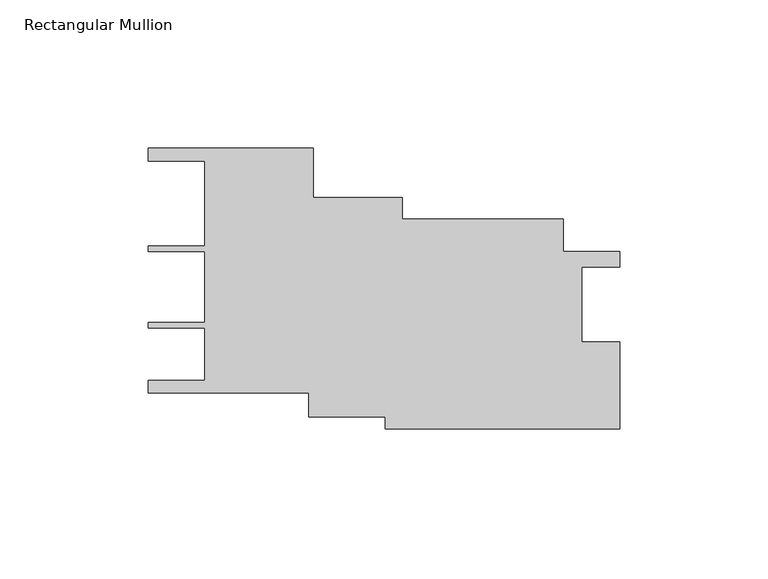
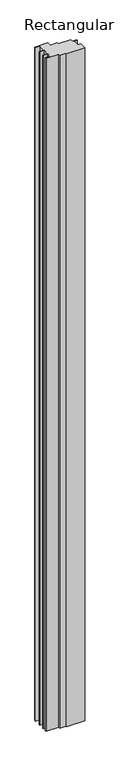
"""IFC4 building model written with IfcOpenShell, lengths in millimetres: member geometry, Rectangular Mullion."""

import ifcopenshell
import ifcopenshell.guid

model = None  # the IFC model being written
_history = None  # IfcOwnerHistory: only IFC2X3 demands one
_inside = {}  # id of a spatial element -> (the spatial element, [elements in it])
_under = {}  # id of a project, library or spatial element -> (it, [spatial elements below it])
_declared = {}  # id of a project -> (the project, [libraries it declares])
_typed = {}  # id of a type object -> (the type object, [elements of that type])
_made_of = {}  # id of a material, layer set ... -> (it, [elements and type objects made of it])


def new_model(schema):
    """Start an empty IFC model of exactly this schema.

    Asked for "IFC4X3", IfcOpenShell would pick the latest addendum, in which some entities
    have other attributes; the version numbers below select the first issue.
    IFC2X3 requires an IfcOwnerHistory on every rooted entity: one is made here for all.
    """
    global model, _history
    if schema == "IFC4X3":
        model = ifcopenshell.file(schema_version=(4, 3, 0, 0))
    else:
        model = ifcopenshell.file(schema=schema)
    _inside.clear()
    _under.clear()
    _declared.clear()
    _typed.clear()
    _made_of.clear()
    _history = None
    if model.schema == "IFC2X3":
        org = make("IfcOrganization", Name="unknown")
        user = make(
            "IfcPersonAndOrganization",
            ThePerson=make("IfcPerson", FamilyName="unknown"),
            TheOrganization=org,
        )
        app = make(
            "IfcApplication",
            ApplicationDeveloper=org,
            Version="unknown",
            ApplicationFullName="unknown",
            ApplicationIdentifier="unknown",
        )
        _history = make(
            "IfcOwnerHistory",
            OwningUser=user,
            OwningApplication=app,
            ChangeAction="ADDED",
            CreationDate=0,
        )
    return model


def make(cls, **values):
    """One entity of the class cls with the attributes given. An attribute that is None is left unset."""
    return model.create_entity(
        cls, **{name: value for name, value in values.items() if value is not None}
    )


def rooted(cls, **values):
    """An entity with a GlobalId (a new one), such as an element, a storey or a relation."""
    return make(cls, GlobalId=ifcopenshell.guid.new(), OwnerHistory=_history, **values)


def si_unit(unit_type, name, prefix=None):
    """IfcSIUnit, for example si_unit("LENGTHUNIT", "METRE", prefix="MILLI")."""
    return make("IfcSIUnit", UnitType=unit_type, Prefix=prefix, Name=name)


def assignment(units):
    """IfcUnitAssignment: the units of a project."""
    return None if units is None else make("IfcUnitAssignment", Units=units)


def point(xyz):
    """IfcCartesianPoint."""
    return None if xyz is None else make("IfcCartesianPoint", Coordinates=xyz)


def direction(xyz):
    """IfcDirection."""
    return None if xyz is None else make("IfcDirection", DirectionRatios=xyz)


def frame(location, z_axis=None, x_axis=None):
    """IfcAxis2Placement3D, a coordinate frame: its origin and axes. An axis left out is left unset."""
    return make(
        "IfcAxis2Placement3D",
        Location=point(location),
        Axis=direction(z_axis),
        RefDirection=direction(x_axis),
    )


def origin():
    """The frame at (0, 0, 0) with its axes left unset."""
    return frame((0.0, 0.0, 0.0))


def place(relative_to, where):
    """IfcLocalPlacement: puts the frame where relative to a parent placement (None: the world)."""
    return make(
        "IfcLocalPlacement", PlacementRelTo=relative_to, RelativePlacement=where
    )


def context(
    kind, dimensions, precision=None, world=None, true_north=None, identifier=None
):
    """IfcGeometricRepresentationContext, for example the 3D "Model" context."""
    return make(
        "IfcGeometricRepresentationContext",
        ContextIdentifier=identifier,
        ContextType=kind,
        CoordinateSpaceDimension=dimensions,
        Precision=precision,
        WorldCoordinateSystem=world,
        TrueNorth=true_north,
    )


def project(units=None, contexts=None):
    """IfcProject with its units and contexts."""
    return rooted(
        "IfcProject",
        Name="project",
        RepresentationContexts=contexts,
        UnitsInContext=assignment(units),
    )


def spatial(cls, under=None, at=None, **own):
    """A site, building, storey or space (cls), placed at a placement, below another one or the project."""
    s = rooted(cls, ObjectPlacement=at, **own)
    if under is not None:
        _under.setdefault(under.id(), (under, []))[1].append(s)
    return s


def polyline(points):
    """IfcPolyline through the points."""
    return make("IfcPolyline", Points=[point(p) for p in points])


def outline(outer, holes=None, kind="AREA"):
    """IfcArbitraryClosedProfileDef: a profile drawn as a closed curve; with holes, ...WithVoids."""
    if holes is None:
        return make("IfcArbitraryClosedProfileDef", ProfileType=kind, OuterCurve=outer)
    return make(
        "IfcArbitraryProfileDefWithVoids",
        ProfileType=kind,
        OuterCurve=outer,
        InnerCurves=holes,
    )


def extrude(swept, where, along, depth):
    """IfcExtrudedAreaSolid: the profile swept, set in the frame where, extruded along a direction by depth."""
    return make(
        "IfcExtrudedAreaSolid",
        SweptArea=swept,
        Position=where,
        ExtrudedDirection=direction(along),
        Depth=depth,
    )


def shape(context_of_items, identifier, shape_type, items):
    """IfcShapeRepresentation: the items that make up one representation, for example the "Body"."""
    return make(
        "IfcShapeRepresentation",
        ContextOfItems=context_of_items,
        RepresentationIdentifier=identifier,
        RepresentationType=shape_type,
        Items=items,
    )


def source(mapping_origin, context_of_items, identifier, shape_type, items):
    """IfcRepresentationMap: a shape defined once, which mapped items show again and again."""
    return make(
        "IfcRepresentationMap",
        MappingOrigin=mapping_origin,
        MappedRepresentation=shape(context_of_items, identifier, shape_type, items),
    )


def transform(
    local_origin,
    x_axis=None,
    y_axis=None,
    z_axis=None,
    scale=None,
    scale2=None,
    scale3=None,
    uniform=True,
):
    """IfcCartesianTransformationOperator3D, or its non-uniform kind. x_axis, y_axis, z_axis: its Axis1, 2, 3."""
    if uniform:
        return make(
            "IfcCartesianTransformationOperator3D",
            Axis1=direction(x_axis),
            Axis2=direction(y_axis),
            LocalOrigin=point(local_origin),
            Scale=scale,
            Axis3=direction(z_axis),
        )
    return make(
        "IfcCartesianTransformationOperator3DnonUniform",
        Axis1=direction(x_axis),
        Axis2=direction(y_axis),
        LocalOrigin=point(local_origin),
        Scale=scale,
        Axis3=direction(z_axis),
        Scale2=scale2,
        Scale3=scale3,
    )


def mapped(mapping_source, mapping_target):
    """IfcMappedItem: shows the shape of a source again, moved by a transform."""
    return make(
        "IfcMappedItem", MappingSource=mapping_source, MappingTarget=mapping_target
    )


def made_of(thing, what):
    """Note that an element or type object is made of a material, layer set ...; save() writes the relation."""
    if what is not None:
        _made_of.setdefault(what.id(), (what, []))[1].append(thing)
    return thing


def element(
    cls,
    number,
    at=None,
    inside=None,
    cuts=None,
    type_object=None,
    material=None,
    context=None,
    identifier="Body",
    shape_type=None,
    held_by="IfcProductDefinitionShape",
    body=None,
    shapes=None,
    **own,
):
    """One element of the class cls, such as IfcWall. Its Tag is "e" and its number.

    at: its placement. inside: the storey or other place that contains it. cuts: it is an
    opening in that element (IfcRelVoidsElement). A single representation is given by context,
    identifier, shape_type and body (its items); several are given by shapes. held_by: the class
    of the entity that holds the representations. save() writes the other relations.
    """
    e = rooted(cls, Tag="e%d" % number, ObjectPlacement=at, **own)
    if body is not None:
        shapes = [shape(context, identifier, shape_type, body)]
    if shapes is not None:
        e.Representation = make(held_by, Representations=shapes)
    if inside is not None:
        _inside.setdefault(inside.id(), (inside, []))[1].append(e)
    if cuts is not None:
        rooted(
            "IfcRelVoidsElement", RelatingBuildingElement=cuts, RelatedOpeningElement=e
        )
    if type_object is not None:
        _typed.setdefault(type_object.id(), (type_object, []))[1].append(e)
    return made_of(e, material)


def aggregate(whole, parts):
    """IfcRelAggregates: a whole, such as a stair, and the parts it consists of."""
    return rooted("IfcRelAggregates", RelatingObject=whole, RelatedObjects=parts)


def save(model, path):
    """Write the relations noted so far, then the file.

    IfcRelAggregates (storeys below a building ...), IfcRelContainedInSpatialStructure (elements
    in a storey), IfcRelDefinesByType, IfcRelAssociatesMaterial and IfcRelDeclares: one each for
    every whole, place, type object, material and project.
    """
    for whole, parts in _under.values():
        aggregate(whole, parts)
    for where, things in _inside.values():
        rooted(
            "IfcRelContainedInSpatialStructure",
            RelatedElements=things,
            RelatingStructure=where,
        )
    for kind, things in _typed.values():
        rooted("IfcRelDefinesByType", RelatedObjects=things, RelatingType=kind)
    for what, things in _made_of.values():
        rooted("IfcRelAssociatesMaterial", RelatedObjects=things, RelatingMaterial=what)
    for by, libraries in _declared.values():
        rooted("IfcRelDeclares", RelatingContext=by, RelatedDefinitions=libraries)
    model.write(path)


def rectangular_mullion_576f96e6(model_context):
    return source(origin(), model_context, "Body", "SweptSolid", [
        extrude(outline(polyline([(-12.7015316, -5.0764093), (-0.0014555, -5.0764093), (-0.0104709, -34.3886075), (-78.9052247, -34.3886075), (-78.9052247, -30.3695167), (-104.782603, -30.3695167), (-104.782603, -22.369204), (-158.7674145, -22.369204), (-158.7674145, -18.0510287), (-139.7166411, -18.0510287), (-139.7166411, -0.3435022), (-158.7597468, -0.3435022), (-158.7597468, 1.4345699), (-139.751753, 1.4345699), (-139.751753, 25.4384906), (-158.7597468, 25.4384906), (-158.7597468, 27.2165628), (-139.7166411, 27.2165628), (-139.7166411, 55.8658906), (-158.7674145, 55.8658906), (-158.7674145, 60.1840659), (-103.2026563, 60.1840659), (-103.2026563, 43.5483286), (-73.2691218, 43.5483286), (-73.2691218, 36.3082474), (-19.0507734, 36.3082474), (-19.0507734, 25.2841999), (0.0, 25.2841999), (0.0, 20.0769885), (-12.7015316, 20.0769885), (-12.7015316, -5.0764093)])), frame((0.0, 0.0, -3048.0), z_axis=(0.0, 0.0, 1.0), x_axis=(1.0, 0.0, 0.0)), (0.0, 0.0, 1.0), 3048.0),
    ])


if __name__ == "__main__":
    model = new_model("IFC4")
    model_context = context("Model", 3, world=origin())
    ifc_project = project(units=[si_unit("LENGTHUNIT", "METRE", prefix="MILLI")], contexts=[model_context])
    site = spatial("IfcSite", under=ifc_project)
    building = spatial("IfcBuilding", under=site)
    placement = place(None, origin())
    rectangular_mullion_shape = rectangular_mullion_576f96e6(model_context)
    element("IfcMember", 1, ObjectType="Rectangular Mullion", at=placement, inside=building, context=model_context, shape_type="MappedRepresentation", body=[
        mapped(rectangular_mullion_shape, transform((0.0, 0.0, 0.0), x_axis=(1.0, 0.0, 0.0), y_axis=(0.0, 1.0, 0.0), z_axis=(0.0, 0.0, 1.0))),
    ])
    save(model, "model.ifc")
